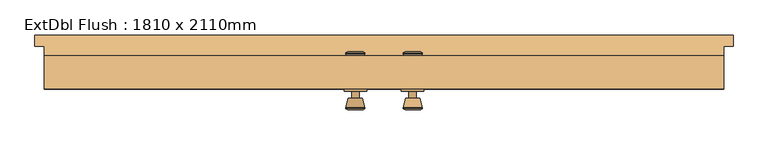
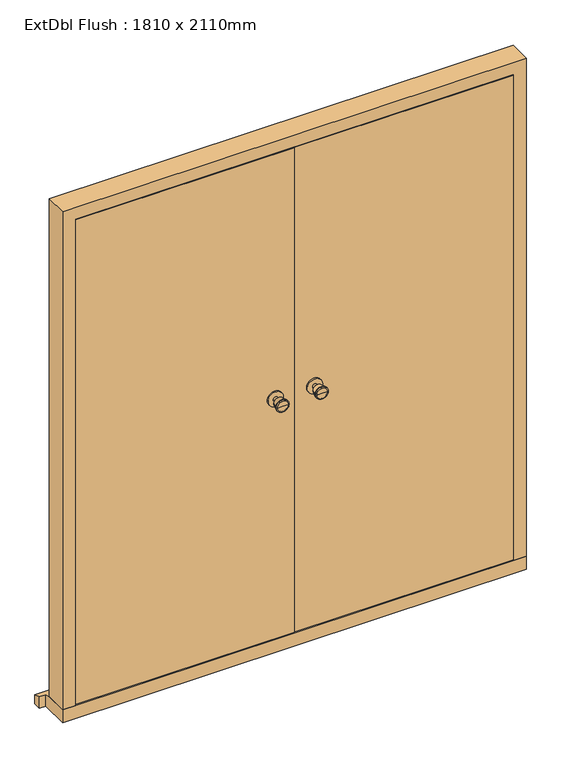
"""IFC4 building model written with IfcOpenShell, lengths in millimetres: door geometry, ExtDbl Flush : 1810 x 2110mm."""

import ifcopenshell
import ifcopenshell.guid

model = None  # the IFC model being written
_history = None  # IfcOwnerHistory: only IFC2X3 demands one
_inside = {}  # id of a spatial element -> (the spatial element, [elements in it])
_under = {}  # id of a project, library or spatial element -> (it, [spatial elements below it])
_declared = {}  # id of a project -> (the project, [libraries it declares])
_typed = {}  # id of a type object -> (the type object, [elements of that type])
_made_of = {}  # id of a material, layer set ... -> (it, [elements and type objects made of it])


def new_model(schema):
    """Start an empty IFC model of exactly this schema.

    Asked for "IFC4X3", IfcOpenShell would pick the latest addendum, in which some entities
    have other attributes; the version numbers below select the first issue.
    IFC2X3 requires an IfcOwnerHistory on every rooted entity: one is made here for all.
    """
    global model, _history
    if schema == "IFC4X3":
        model = ifcopenshell.file(schema_version=(4, 3, 0, 0))
    else:
        model = ifcopenshell.file(schema=schema)
    _inside.clear()
    _under.clear()
    _declared.clear()
    _typed.clear()
    _made_of.clear()
    _history = None
    if model.schema == "IFC2X3":
        org = make("IfcOrganization", Name="unknown")
        user = make(
            "IfcPersonAndOrganization",
            ThePerson=make("IfcPerson", FamilyName="unknown"),
            TheOrganization=org,
        )
        app = make(
            "IfcApplication",
            ApplicationDeveloper=org,
            Version="unknown",
            ApplicationFullName="unknown",
            ApplicationIdentifier="unknown",
        )
        _history = make(
            "IfcOwnerHistory",
            OwningUser=user,
            OwningApplication=app,
            ChangeAction="ADDED",
            CreationDate=0,
        )
    return model


def make(cls, **values):
    """One entity of the class cls with the attributes given. An attribute that is None is left unset."""
    return model.create_entity(
        cls, **{name: value for name, value in values.items() if value is not None}
    )


def rooted(cls, **values):
    """An entity with a GlobalId (a new one), such as an element, a storey or a relation."""
    return make(cls, GlobalId=ifcopenshell.guid.new(), OwnerHistory=_history, **values)


def si_unit(unit_type, name, prefix=None):
    """IfcSIUnit, for example si_unit("LENGTHUNIT", "METRE", prefix="MILLI")."""
    return make("IfcSIUnit", UnitType=unit_type, Prefix=prefix, Name=name)


def assignment(units):
    """IfcUnitAssignment: the units of a project."""
    return None if units is None else make("IfcUnitAssignment", Units=units)


def point(xyz):
    """IfcCartesianPoint."""
    return None if xyz is None else make("IfcCartesianPoint", Coordinates=xyz)


def direction(xyz):
    """IfcDirection."""
    return None if xyz is None else make("IfcDirection", DirectionRatios=xyz)


def frame(location, z_axis=None, x_axis=None):
    """IfcAxis2Placement3D, a coordinate frame: its origin and axes. An axis left out is left unset."""
    return make(
        "IfcAxis2Placement3D",
        Location=point(location),
        Axis=direction(z_axis),
        RefDirection=direction(x_axis),
    )


def frame_2d(location, x_axis=None):
    """IfcAxis2Placement2D, a coordinate frame in the plane: its origin and x axis."""
    return make(
        "IfcAxis2Placement2D", Location=point(location), RefDirection=direction(x_axis)
    )


def origin():
    """The frame at (0, 0, 0) with its axes left unset."""
    return frame((0.0, 0.0, 0.0))


def place(relative_to, where):
    """IfcLocalPlacement: puts the frame where relative to a parent placement (None: the world)."""
    return make(
        "IfcLocalPlacement", PlacementRelTo=relative_to, RelativePlacement=where
    )


def context(
    kind, dimensions, precision=None, world=None, true_north=None, identifier=None
):
    """IfcGeometricRepresentationContext, for example the 3D "Model" context."""
    return make(
        "IfcGeometricRepresentationContext",
        ContextIdentifier=identifier,
        ContextType=kind,
        CoordinateSpaceDimension=dimensions,
        Precision=precision,
        WorldCoordinateSystem=world,
        TrueNorth=true_north,
    )


def project(units=None, contexts=None):
    """IfcProject with its units and contexts."""
    return rooted(
        "IfcProject",
        Name="project",
        RepresentationContexts=contexts,
        UnitsInContext=assignment(units),
    )


def spatial(cls, under=None, at=None, **own):
    """A site, building, storey or space (cls), placed at a placement, below another one or the project."""
    s = rooted(cls, ObjectPlacement=at, **own)
    if under is not None:
        _under.setdefault(under.id(), (under, []))[1].append(s)
    return s


def polyline(points):
    """IfcPolyline through the points."""
    return make("IfcPolyline", Points=[point(p) for p in points])


def circle_curve(where, radius):
    """IfcCircle in the frame where."""
    return make("IfcCircle", Position=where, Radius=radius)


def trimmed(basis, trim1, trim2, sense, master):
    """IfcTrimmedCurve: the piece of a basis curve between two trims."""
    return make(
        "IfcTrimmedCurve",
        BasisCurve=basis,
        Trim1=trim1,
        Trim2=trim2,
        SenseAgreement=sense,
        MasterRepresentation=master,
    )


def segment(curve, same_sense, transition):
    """IfcCompositeCurveSegment."""
    return make(
        "IfcCompositeCurveSegment",
        Transition=transition,
        SameSense=same_sense,
        ParentCurve=curve,
    )


def composite_curve(segments, self_intersect=None):
    """IfcCompositeCurve: segments joined end to end."""
    return make("IfcCompositeCurve", Segments=segments, SelfIntersect=self_intersect)


def outline(outer, holes=None, kind="AREA"):
    """IfcArbitraryClosedProfileDef: a profile drawn as a closed curve; with holes, ...WithVoids."""
    if holes is None:
        return make("IfcArbitraryClosedProfileDef", ProfileType=kind, OuterCurve=outer)
    return make(
        "IfcArbitraryProfileDefWithVoids",
        ProfileType=kind,
        OuterCurve=outer,
        InnerCurves=holes,
    )


def extrude(swept, where, along, depth):
    """IfcExtrudedAreaSolid: the profile swept, set in the frame where, extruded along a direction by depth."""
    return make(
        "IfcExtrudedAreaSolid",
        SweptArea=swept,
        Position=where,
        ExtrudedDirection=direction(along),
        Depth=depth,
    )


def faces_of(points, faces, orient=None, outer=None):
    """IfcFace entities. A face is a list of loops; a loop is a list of indices into points, from 0.

    orient and outer hold one flag for each loop. By default every Orientation is true, the
    first loop of a face is its IfcFaceOuterBound and the others are IfcFaceBound.
    """
    made = []
    for i, loops in enumerate(faces):
        bounds = []
        for j, loop in enumerate(loops):
            is_outer = j == 0 if outer is None else outer[i][j]
            bounds.append(
                make(
                    "IfcFaceOuterBound" if is_outer else "IfcFaceBound",
                    Bound=make("IfcPolyLoop", Polygon=[points[k] for k in loop]),
                    Orientation=True if orient is None else orient[i][j],
                )
            )
        made.append(make("IfcFace", Bounds=bounds))
    return made


def faceted_brep(points, faces, orient=None, outer=None, voids=None):
    """IfcFacetedBrep: a solid bounded by flat faces; with voids (closed shells), ...WithVoids."""
    shared = [point(p) for p in points]
    hull = make("IfcClosedShell", CfsFaces=faces_of(shared, faces, orient, outer))
    if voids is None:
        return make("IfcFacetedBrep", Outer=hull)
    return make(
        "IfcFacetedBrepWithVoids",
        Outer=hull,
        Voids=[
            make(cls, CfsFaces=faces_of(shared, fs, o, b)) for cls, fs, o, b in voids
        ],
    )


def shape(context_of_items, identifier, shape_type, items):
    """IfcShapeRepresentation: the items that make up one representation, for example the "Body"."""
    return make(
        "IfcShapeRepresentation",
        ContextOfItems=context_of_items,
        RepresentationIdentifier=identifier,
        RepresentationType=shape_type,
        Items=items,
    )


def source(mapping_origin, context_of_items, identifier, shape_type, items):
    """IfcRepresentationMap: a shape defined once, which mapped items show again and again."""
    return make(
        "IfcRepresentationMap",
        MappingOrigin=mapping_origin,
        MappedRepresentation=shape(context_of_items, identifier, shape_type, items),
    )


def transform(
    local_origin,
    x_axis=None,
    y_axis=None,
    z_axis=None,
    scale=None,
    scale2=None,
    scale3=None,
    uniform=True,
):
    """IfcCartesianTransformationOperator3D, or its non-uniform kind. x_axis, y_axis, z_axis: its Axis1, 2, 3."""
    if uniform:
        return make(
            "IfcCartesianTransformationOperator3D",
            Axis1=direction(x_axis),
            Axis2=direction(y_axis),
            LocalOrigin=point(local_origin),
            Scale=scale,
            Axis3=direction(z_axis),
        )
    return make(
        "IfcCartesianTransformationOperator3DnonUniform",
        Axis1=direction(x_axis),
        Axis2=direction(y_axis),
        LocalOrigin=point(local_origin),
        Scale=scale,
        Axis3=direction(z_axis),
        Scale2=scale2,
        Scale3=scale3,
    )


def mapped(mapping_source, mapping_target):
    """IfcMappedItem: shows the shape of a source again, moved by a transform."""
    return make(
        "IfcMappedItem", MappingSource=mapping_source, MappingTarget=mapping_target
    )


def made_of(thing, what):
    """Note that an element or type object is made of a material, layer set ...; save() writes the relation."""
    if what is not None:
        _made_of.setdefault(what.id(), (what, []))[1].append(thing)
    return thing


def element(
    cls,
    number,
    at=None,
    inside=None,
    cuts=None,
    type_object=None,
    material=None,
    context=None,
    identifier="Body",
    shape_type=None,
    held_by="IfcProductDefinitionShape",
    body=None,
    shapes=None,
    **own,
):
    """One element of the class cls, such as IfcWall. Its Tag is "e" and its number.

    at: its placement. inside: the storey or other place that contains it. cuts: it is an
    opening in that element (IfcRelVoidsElement). A single representation is given by context,
    identifier, shape_type and body (its items); several are given by shapes. held_by: the class
    of the entity that holds the representations. save() writes the other relations.
    """
    e = rooted(cls, Tag="e%d" % number, ObjectPlacement=at, **own)
    if body is not None:
        shapes = [shape(context, identifier, shape_type, body)]
    if shapes is not None:
        e.Representation = make(held_by, Representations=shapes)
    if inside is not None:
        _inside.setdefault(inside.id(), (inside, []))[1].append(e)
    if cuts is not None:
        rooted(
            "IfcRelVoidsElement", RelatingBuildingElement=cuts, RelatedOpeningElement=e
        )
    if type_object is not None:
        _typed.setdefault(type_object.id(), (type_object, []))[1].append(e)
    return made_of(e, material)


def aggregate(whole, parts):
    """IfcRelAggregates: a whole, such as a stair, and the parts it consists of."""
    return rooted("IfcRelAggregates", RelatingObject=whole, RelatedObjects=parts)


def save(model, path):
    """Write the relations noted so far, then the file.

    IfcRelAggregates (storeys below a building ...), IfcRelContainedInSpatialStructure (elements
    in a storey), IfcRelDefinesByType, IfcRelAssociatesMaterial and IfcRelDeclares: one each for
    every whole, place, type object, material and project.
    """
    for whole, parts in _under.values():
        aggregate(whole, parts)
    for where, things in _inside.values():
        rooted(
            "IfcRelContainedInSpatialStructure",
            RelatedElements=things,
            RelatingStructure=where,
        )
    for kind, things in _typed.values():
        rooted("IfcRelDefinesByType", RelatedObjects=things, RelatingType=kind)
    for what, things in _made_of.values():
        rooted("IfcRelAssociatesMaterial", RelatedObjects=things, RelatingMaterial=what)
    for by, libraries in _declared.values():
        rooted("IfcRelDeclares", RelatingContext=by, RelatedDefinitions=libraries)
    model.write(path)


def plane_surface(at):
    """IfcPlane: the flat surface through the origin of the frame at, square to its z axis."""
    return make("IfcPlane", Position=at)


def cylinder_surface(at, radius):
    """IfcCylindricalSurface: all points at the distance radius from the z axis of the frame at."""
    return make("IfcCylindricalSurface", Position=at, Radius=radius)


def revolved_surface(curve, axis_point, axis_direction):
    """IfcSurfaceOfRevolution: the curve turned about the line through axis_point along axis_direction."""
    return make(
        "IfcSurfaceOfRevolution",
        SweptCurve=make("IfcArbitraryOpenProfileDef", ProfileType="CURVE", Curve=curve),
        AxisPosition=make("IfcAxis1Placement", Location=point(axis_point), Axis=direction(axis_direction)),
    )


def advanced_brep(points, edges, surfaces, faces):
    """IfcAdvancedBrep: a solid bounded by faces that lie on surfaces and meet in shared edges.

    An edge is (start, end): straight between two places in points (the first is 0);
    or (start, end, curve); or (start, end, curve, False) where it runs against its curve.
    A face is (place in surfaces, loops), or (place, loops, False) where it looks against
    its surface's normal. A loop lists edges by number (the first is 1), with a minus sign
    where the edge is run from its end to its start. The first loop is the outer one.
    """
    corners = [point(p) for p in points]
    vertices = [make("IfcVertexPoint", VertexGeometry=c) for c in corners]
    made = []
    for start, end, *more in edges:
        made.append(
            make(
                "IfcEdgeCurve",
                EdgeStart=vertices[start],
                EdgeEnd=vertices[end],
                EdgeGeometry=more[0] if more else make("IfcPolyline", Points=[corners[start], corners[end]]),
                SameSense=more[1] if len(more) > 1 else True,
            )
        )
    hull = []
    for where, loops, *sense in faces:
        bounds = []
        for j, loop in enumerate(loops):
            ring = [make("IfcOrientedEdge", EdgeElement=made[abs(k) - 1], Orientation=k > 0) for k in loop]
            bounds.append(
                make(
                    "IfcFaceOuterBound" if j == 0 else "IfcFaceBound",
                    Bound=make("IfcEdgeLoop", EdgeList=ring),
                    Orientation=True,
                )
            )
        hull.append(make("IfcAdvancedFace", Bounds=bounds, FaceSurface=surfaces[where], SameSense=sense[0] if sense else True))
    return make("IfcAdvancedBrep", Outer=make("IfcClosedShell", CfsFaces=hull))


def extdbl_flush_1810_x_2110mm_324177d1(model_context):
    return source(origin(), model_context, "Body", "SolidModel", [
        advanced_brep(
        [(-76.5, 17.5, 1050.0), (-66.5, 17.5, 1050.0), (-86.5, 17.5, 1050.0), (-96.9758676, -31.5, 1050.0), (-56.0241324, -31.5, 1050.0), (-76.5, -31.5, 1050.0), (-101.5, -29.6721319, 1050.0), (-51.5, -29.6721319, 1050.0), (-101.5, -26.2084537, 1050.0), (-51.5, -26.2084537, 1050.0), (-95.136236, -1.5, 1050.0), (-57.863764, -1.5, 1050.0), (-86.5, -1.5, 1050.0), (-66.5, -1.5, 1050.0)],
        [
            (0, 1),
            (1, 2, circle_curve(frame((-76.5, 17.5, 1050.0), z_axis=(0.0, 1.0, 0.0), x_axis=(1.0, 0.0, 0.0)), 10.0)),
            (2, 0),
            (2, 1, circle_curve(frame((-76.5, 17.5, 1050.0), z_axis=(0.0, 1.0, 0.0), x_axis=(1.0, 0.0, 0.0)), 10.0)),
            (3, 4, circle_curve(frame((-76.5, -31.5, 1050.0), z_axis=(0.0, -1.0, 0.0), x_axis=(1.0, 0.0, 0.0)), 20.4758676)),
            (4, 5),
            (5, 3),
            (4, 3, circle_curve(frame((-76.5, -31.5, 1050.0), z_axis=(0.0, -1.0, 0.0), x_axis=(1.0, 0.0, 0.0)), 20.4758676)),
            (6, 7, circle_curve(frame((-76.5, -29.6721319, 1050.0), z_axis=(0.0, -1.0, 0.0), x_axis=(1.0, 0.0, 0.0)), 25.0)),
            (7, 4),
            (3, 6),
            (7, 6, circle_curve(frame((-76.5, -29.6721319, 1050.0), z_axis=(0.0, -1.0, 0.0), x_axis=(1.0, 0.0, 0.0)), 25.0)),
            (8, 9, circle_curve(frame((-76.5, -26.2084537, 1050.0), z_axis=(0.0, -1.0, 0.0), x_axis=(1.0, 0.0, 0.0)), 25.0)),
            (9, 7),
            (6, 8),
            (9, 8, circle_curve(frame((-76.5, -26.2084537, 1050.0), z_axis=(0.0, -1.0, 0.0), x_axis=(1.0, 0.0, 0.0)), 25.0)),
            (10, 11, circle_curve(frame((-76.5, -1.5, 1050.0), z_axis=(0.0, -1.0, 0.0), x_axis=(1.0, 0.0, 0.0)), 18.636236)),
            (11, 9),
            (8, 10),
            (11, 10, circle_curve(frame((-76.5, -1.5, 1050.0), z_axis=(0.0, -1.0, 0.0), x_axis=(1.0, 0.0, 0.0)), 18.636236)),
            (12, 13, circle_curve(frame((-76.5, -1.5, 1050.0), z_axis=(0.0, -1.0, 0.0), x_axis=(1.0, 0.0, 0.0)), 10.0)),
            (13, 11),
            (10, 12),
            (13, 12, circle_curve(frame((-76.5, -1.5, 1050.0), z_axis=(0.0, -1.0, 0.0), x_axis=(1.0, 0.0, 0.0)), 10.0)),
            (1, 13),
            (12, 2),
        ],
        [
            plane_surface(frame((-76.5, 17.5, 1050.0), z_axis=(0.0, 1.0, 0.0), x_axis=(1.0, 0.0, 0.0))),
            plane_surface(frame((-76.5, -31.5, 1050.0), z_axis=(0.0, -1.0, 0.0), x_axis=(1.0, 0.0, 0.0))),
            revolved_surface(polyline([(-56.0241324, -31.5, 1050.0), (-51.5, -29.6721319, 1050.0)]), (-76.5, 17.5, 1050.0), (0.0, 1.0, 0.0)),
            cylinder_surface(frame((-76.5, 17.5, 1050.0), z_axis=(0.0, 1.0, 0.0), x_axis=(1.0, 0.0, 0.0)), 25.0),
            revolved_surface(polyline([(-51.5, -26.2084537, 1050.0), (-57.863764, -1.5, 1050.0)]), (-76.5, 17.5, 1050.0), (0.0, 1.0, 0.0)),
            plane_surface(frame((-76.5, -1.5, 1050.0), z_axis=(0.0, 1.0, 0.0), x_axis=(1.0, 0.0, 0.0))),
            cylinder_surface(frame((-76.5, 17.5, 1050.0), z_axis=(0.0, 1.0, 0.0), x_axis=(1.0, 0.0, 0.0)), 10.0),
        ],
        [
            (0, [[1, 2, 3]]),
            (0, [[-3, 4, -1]]),
            (1, [[5, 6, 7]]),
            (1, [[8, -7, -6]]),
            (2, [[9, 10, -5, 11]]),
            (2, [[12, -11, -8, -10]]),
            (3, [[13, 14, -9, 15]]),
            (3, [[16, -15, -12, -14]]),
            (4, [[17, 18, -13, 19]]),
            (4, [[20, -19, -16, -18]]),
            (5, [[21, 22, -17, 23]]),
            (5, [[24, -23, -20, -22]]),
            (6, [[-2, 25, -21, 26]]),
            (6, [[-4, -26, -24, -25]]),
        ],
    ),
        extrude(outline(composite_curve([segment(trimmed(circle_curve(frame_2d((1050.0, -76.5)), 30.0), [point((1050.0, -46.5))], [point((1050.0, -106.5))], False, "CARTESIAN"), True, "CONTINUOUS"), segment(trimmed(circle_curve(frame_2d((1050.0, -76.5)), 30.0), [point((1050.0, -106.5))], [point((1050.0, -46.5))], False, "CARTESIAN"), True, "CONTINUOUS")], self_intersect=False)), frame((0.0, 17.5, 0.0), z_axis=(0.0, 1.0, 0.0), x_axis=(0.0, 0.0, 1.0)), (0.0, 0.0, 1.0), 6.0),
        advanced_brep(
        [(-76.5, 73.5, 1050.0), (-86.5, 73.5, 1050.0), (-66.5, 73.5, 1050.0), (-96.9758676, 122.5, 1050.0), (-76.5, 122.5, 1050.0), (-56.0241324, 122.5, 1050.0), (-101.5, 120.6721319, 1050.0), (-51.5, 120.6721319, 1050.0), (-101.5, 117.2084537, 1050.0), (-51.5, 117.2084537, 1050.0), (-95.136236, 92.5, 1050.0), (-57.863764, 92.5, 1050.0), (-86.5, 92.5, 1050.0), (-66.5, 92.5, 1050.0)],
        [
            (0, 1),
            (1, 2, circle_curve(frame((-76.5, 73.5, 1050.0), z_axis=(0.0, -1.0, 0.0), x_axis=(1.0, 0.0, 0.0)), 10.0)),
            (2, 0),
            (2, 1, circle_curve(frame((-76.5, 73.5, 1050.0), z_axis=(0.0, -1.0, 0.0), x_axis=(1.0, 0.0, 0.0)), 10.0)),
            (3, 4),
            (4, 5),
            (5, 3, circle_curve(frame((-76.5, 122.5, 1050.0), z_axis=(0.0, 1.0, 0.0), x_axis=(1.0, 0.0, 0.0)), 20.4758676)),
            (3, 5, circle_curve(frame((-76.5, 122.5, 1050.0), z_axis=(0.0, 1.0, 0.0), x_axis=(1.0, 0.0, 0.0)), 20.4758676)),
            (6, 3),
            (5, 7),
            (7, 6, circle_curve(frame((-76.5, 120.6721319, 1050.0), z_axis=(0.0, 1.0, 0.0), x_axis=(1.0, 0.0, 0.0)), 25.0)),
            (6, 7, circle_curve(frame((-76.5, 120.6721319, 1050.0), z_axis=(0.0, 1.0, 0.0), x_axis=(1.0, 0.0, 0.0)), 25.0)),
            (8, 6),
            (7, 9),
            (9, 8, circle_curve(frame((-76.5, 117.2084537, 1050.0), z_axis=(0.0, 1.0, 0.0), x_axis=(1.0, 0.0, 0.0)), 25.0)),
            (8, 9, circle_curve(frame((-76.5, 117.2084537, 1050.0), z_axis=(0.0, 1.0, 0.0), x_axis=(1.0, 0.0, 0.0)), 25.0)),
            (10, 8),
            (9, 11),
            (11, 10, circle_curve(frame((-76.5, 92.5, 1050.0), z_axis=(0.0, 1.0, 0.0), x_axis=(1.0, 0.0, 0.0)), 18.636236)),
            (10, 11, circle_curve(frame((-76.5, 92.5, 1050.0), z_axis=(0.0, 1.0, 0.0), x_axis=(1.0, 0.0, 0.0)), 18.636236)),
            (12, 10),
            (11, 13),
            (13, 12, circle_curve(frame((-76.5, 92.5, 1050.0), z_axis=(0.0, 1.0, 0.0), x_axis=(1.0, 0.0, 0.0)), 10.0)),
            (12, 13, circle_curve(frame((-76.5, 92.5, 1050.0), z_axis=(0.0, 1.0, 0.0), x_axis=(1.0, 0.0, 0.0)), 10.0)),
            (1, 12),
            (13, 2),
        ],
        [
            plane_surface(frame((-76.5, 73.5, 1050.0), z_axis=(0.0, -1.0, 0.0), x_axis=(1.0, 0.0, 0.0))),
            plane_surface(frame((-76.5, 122.5, 1050.0), z_axis=(0.0, 1.0, 0.0), x_axis=(1.0, 0.0, 0.0))),
            revolved_surface(polyline([(-56.0241324, 122.5, 1050.0), (-51.5, 120.6721319, 1050.0)]), (-76.5, 73.5, 1050.0), (0.0, -1.0, 0.0)),
            cylinder_surface(frame((-76.5, 73.5, 1050.0), z_axis=(0.0, -1.0, 0.0), x_axis=(1.0, 0.0, 0.0)), 25.0),
            revolved_surface(polyline([(-51.5, 117.2084537, 1050.0), (-57.863764, 92.5, 1050.0)]), (-76.5, 73.5, 1050.0), (0.0, -1.0, 0.0)),
            plane_surface(frame((-76.5, 92.5, 1050.0), z_axis=(0.0, -1.0, 0.0), x_axis=(1.0, 0.0, 0.0))),
            cylinder_surface(frame((-76.5, 73.5, 1050.0), z_axis=(0.0, -1.0, 0.0), x_axis=(1.0, 0.0, 0.0)), 10.0),
        ],
        [
            (0, [[1, 2, 3]]),
            (0, [[-3, 4, -1]]),
            (1, [[5, 6, 7]]),
            (1, [[-6, -5, 8]]),
            (2, [[9, -7, 10, 11]]),
            (2, [[-10, -8, -9, 12]]),
            (3, [[13, -11, 14, 15]]),
            (3, [[-14, -12, -13, 16]]),
            (4, [[17, -15, 18, 19]]),
            (4, [[-18, -16, -17, 20]]),
            (5, [[21, -19, 22, 23]]),
            (5, [[-22, -20, -21, 24]]),
            (6, [[25, -23, 26, -2]]),
            (6, [[-26, -24, -25, -4]]),
        ],
    ),
        extrude(outline(composite_curve([segment(trimmed(circle_curve(frame_2d((1050.0, -76.5)), 30.0), [point((1050.0, -46.5))], [point((1050.0, -106.5))], False, "CARTESIAN"), True, "CONTINUOUS"), segment(trimmed(circle_curve(frame_2d((1050.0, -76.5)), 30.0), [point((1050.0, -106.5))], [point((1050.0, -46.5))], False, "CARTESIAN"), True, "CONTINUOUS")], self_intersect=False)), frame((0.0, 67.5, 0.0), z_axis=(0.0, 1.0, 0.0), x_axis=(0.0, 0.0, 1.0)), (0.0, 0.0, 1.0), 6.0),
        advanced_brep(
        [(76.5, 17.5, 1050.0), (86.5, 17.5, 1050.0), (66.5, 17.5, 1050.0), (96.9758676, -31.5, 1050.0), (76.5, -31.5, 1050.0), (56.0241324, -31.5, 1050.0), (101.5, -29.6721319, 1050.0), (51.5, -29.6721319, 1050.0), (101.5, -26.2084537, 1050.0), (51.5, -26.2084537, 1050.0), (95.136236, -1.5, 1050.0), (57.863764, -1.5, 1050.0), (86.5, -1.5, 1050.0), (66.5, -1.5, 1050.0)],
        [
            (0, 1),
            (1, 2, circle_curve(frame((76.5, 17.5, 1050.0), z_axis=(0.0, 1.0, 0.0), x_axis=(-1.0, 0.0, 0.0)), 10.0)),
            (2, 0),
            (2, 1, circle_curve(frame((76.5, 17.5, 1050.0), z_axis=(0.0, 1.0, 0.0), x_axis=(-1.0, 0.0, 0.0)), 10.0)),
            (3, 4),
            (4, 5),
            (5, 3, circle_curve(frame((76.5, -31.5, 1050.0), z_axis=(0.0, -1.0, 0.0), x_axis=(-1.0, 0.0, 0.0)), 20.4758676)),
            (3, 5, circle_curve(frame((76.5, -31.5, 1050.0), z_axis=(0.0, -1.0, 0.0), x_axis=(-1.0, 0.0, 0.0)), 20.4758676)),
            (6, 3),
            (5, 7),
            (7, 6, circle_curve(frame((76.5, -29.6721319, 1050.0), z_axis=(0.0, -1.0, 0.0), x_axis=(-1.0, 0.0, 0.0)), 25.0)),
            (6, 7, circle_curve(frame((76.5, -29.6721319, 1050.0), z_axis=(0.0, -1.0, 0.0), x_axis=(-1.0, 0.0, 0.0)), 25.0)),
            (8, 6),
            (7, 9),
            (9, 8, circle_curve(frame((76.5, -26.2084537, 1050.0), z_axis=(0.0, -1.0, 0.0), x_axis=(-1.0, 0.0, 0.0)), 25.0)),
            (8, 9, circle_curve(frame((76.5, -26.2084537, 1050.0), z_axis=(0.0, -1.0, 0.0), x_axis=(-1.0, 0.0, 0.0)), 25.0)),
            (10, 8),
            (9, 11),
            (11, 10, circle_curve(frame((76.5, -1.5, 1050.0), z_axis=(0.0, -1.0, 0.0), x_axis=(-1.0, 0.0, 0.0)), 18.636236)),
            (10, 11, circle_curve(frame((76.5, -1.5, 1050.0), z_axis=(0.0, -1.0, 0.0), x_axis=(-1.0, 0.0, 0.0)), 18.636236)),
            (12, 10),
            (11, 13),
            (13, 12, circle_curve(frame((76.5, -1.5, 1050.0), z_axis=(0.0, -1.0, 0.0), x_axis=(-1.0, 0.0, 0.0)), 10.0)),
            (12, 13, circle_curve(frame((76.5, -1.5, 1050.0), z_axis=(0.0, -1.0, 0.0), x_axis=(-1.0, 0.0, 0.0)), 10.0)),
            (1, 12),
            (13, 2),
        ],
        [
            plane_surface(frame((76.5, 17.5, 1050.0), z_axis=(0.0, 1.0, 0.0), x_axis=(-1.0, 0.0, 0.0))),
            plane_surface(frame((76.5, -31.5, 1050.0), z_axis=(0.0, -1.0, 0.0), x_axis=(-1.0, 0.0, 0.0))),
            revolved_surface(polyline([(56.0241324, -31.5, 1050.0), (51.5, -29.6721319, 1050.0)]), (76.5, 17.5, 1050.0), (0.0, 1.0, 0.0)),
            cylinder_surface(frame((76.5, 17.5, 1050.0), z_axis=(0.0, 1.0, 0.0), x_axis=(-1.0, 0.0, 0.0)), 25.0),
            revolved_surface(polyline([(51.5, -26.2084537, 1050.0), (57.863764, -1.5, 1050.0)]), (76.5, 17.5, 1050.0), (0.0, 1.0, 0.0)),
            plane_surface(frame((76.5, -1.5, 1050.0), z_axis=(0.0, 1.0, 0.0), x_axis=(-1.0, 0.0, 0.0))),
            cylinder_surface(frame((76.5, 17.5, 1050.0), z_axis=(0.0, 1.0, 0.0), x_axis=(-1.0, 0.0, 0.0)), 10.0),
        ],
        [
            (0, [[1, 2, 3]]),
            (0, [[-3, 4, -1]]),
            (1, [[5, 6, 7]]),
            (1, [[-6, -5, 8]]),
            (2, [[9, -7, 10, 11]]),
            (2, [[-10, -8, -9, 12]]),
            (3, [[13, -11, 14, 15]]),
            (3, [[-14, -12, -13, 16]]),
            (4, [[17, -15, 18, 19]]),
            (4, [[-18, -16, -17, 20]]),
            (5, [[21, -19, 22, 23]]),
            (5, [[-22, -20, -21, 24]]),
            (6, [[25, -23, 26, -2]]),
            (6, [[-26, -24, -25, -4]]),
        ],
    ),
        extrude(outline(composite_curve([segment(trimmed(circle_curve(frame_2d((1050.0, 76.5)), 30.0), [point((1050.0, 46.5))], [point((1050.0, 106.5))], False, "CARTESIAN"), True, "CONTINUOUS"), segment(trimmed(circle_curve(frame_2d((1050.0, 76.5)), 30.0), [point((1050.0, 106.5))], [point((1050.0, 46.5))], False, "CARTESIAN"), True, "CONTINUOUS")], self_intersect=False)), frame((0.0, 17.5, 0.0), z_axis=(0.0, 1.0, 0.0), x_axis=(0.0, 0.0, 1.0)), (0.0, 0.0, 1.0), 6.0),
        advanced_brep(
        [(76.5, 73.5, 1050.0), (66.5, 73.5, 1050.0), (86.5, 73.5, 1050.0), (96.9758676, 122.5, 1050.0), (56.0241324, 122.5, 1050.0), (76.5, 122.5, 1050.0), (101.5, 120.6721319, 1050.0), (51.5, 120.6721319, 1050.0), (101.5, 117.2084537, 1050.0), (51.5, 117.2084537, 1050.0), (95.136236, 92.5, 1050.0), (57.863764, 92.5, 1050.0), (86.5, 92.5, 1050.0), (66.5, 92.5, 1050.0)],
        [
            (0, 1),
            (1, 2, circle_curve(frame((76.5, 73.5, 1050.0), z_axis=(0.0, -1.0, 0.0), x_axis=(-1.0, 0.0, 0.0)), 10.0)),
            (2, 0),
            (2, 1, circle_curve(frame((76.5, 73.5, 1050.0), z_axis=(0.0, -1.0, 0.0), x_axis=(-1.0, 0.0, 0.0)), 10.0)),
            (3, 4, circle_curve(frame((76.5, 122.5, 1050.0), z_axis=(0.0, 1.0, 0.0), x_axis=(-1.0, 0.0, 0.0)), 20.4758676)),
            (4, 5),
            (5, 3),
            (4, 3, circle_curve(frame((76.5, 122.5, 1050.0), z_axis=(0.0, 1.0, 0.0), x_axis=(-1.0, 0.0, 0.0)), 20.4758676)),
            (6, 7, circle_curve(frame((76.5, 120.6721319, 1050.0), z_axis=(0.0, 1.0, 0.0), x_axis=(-1.0, 0.0, 0.0)), 25.0)),
            (7, 4),
            (3, 6),
            (7, 6, circle_curve(frame((76.5, 120.6721319, 1050.0), z_axis=(0.0, 1.0, 0.0), x_axis=(-1.0, 0.0, 0.0)), 25.0)),
            (8, 9, circle_curve(frame((76.5, 117.2084537, 1050.0), z_axis=(0.0, 1.0, 0.0), x_axis=(-1.0, 0.0, 0.0)), 25.0)),
            (9, 7),
            (6, 8),
            (9, 8, circle_curve(frame((76.5, 117.2084537, 1050.0), z_axis=(0.0, 1.0, 0.0), x_axis=(-1.0, 0.0, 0.0)), 25.0)),
            (10, 11, circle_curve(frame((76.5, 92.5, 1050.0), z_axis=(0.0, 1.0, 0.0), x_axis=(-1.0, 0.0, 0.0)), 18.636236)),
            (11, 9),
            (8, 10),
            (11, 10, circle_curve(frame((76.5, 92.5, 1050.0), z_axis=(0.0, 1.0, 0.0), x_axis=(-1.0, 0.0, 0.0)), 18.636236)),
            (12, 13, circle_curve(frame((76.5, 92.5, 1050.0), z_axis=(0.0, 1.0, 0.0), x_axis=(-1.0, 0.0, 0.0)), 10.0)),
            (13, 11),
            (10, 12),
            (13, 12, circle_curve(frame((76.5, 92.5, 1050.0), z_axis=(0.0, 1.0, 0.0), x_axis=(-1.0, 0.0, 0.0)), 10.0)),
            (1, 13),
            (12, 2),
        ],
        [
            plane_surface(frame((76.5, 73.5, 1050.0), z_axis=(0.0, -1.0, 0.0), x_axis=(-1.0, 0.0, 0.0))),
            plane_surface(frame((76.5, 122.5, 1050.0), z_axis=(0.0, 1.0, 0.0), x_axis=(-1.0, 0.0, 0.0))),
            revolved_surface(polyline([(56.0241324, 122.5, 1050.0), (51.5, 120.6721319, 1050.0)]), (76.5, 73.5, 1050.0), (0.0, -1.0, 0.0)),
            cylinder_surface(frame((76.5, 73.5, 1050.0), z_axis=(0.0, -1.0, 0.0), x_axis=(-1.0, 0.0, 0.0)), 25.0),
            revolved_surface(polyline([(51.5, 117.2084537, 1050.0), (57.863764, 92.5, 1050.0)]), (76.5, 73.5, 1050.0), (0.0, -1.0, 0.0)),
            plane_surface(frame((76.5, 92.5, 1050.0), z_axis=(0.0, -1.0, 0.0), x_axis=(-1.0, 0.0, 0.0))),
            cylinder_surface(frame((76.5, 73.5, 1050.0), z_axis=(0.0, -1.0, 0.0), x_axis=(-1.0, 0.0, 0.0)), 10.0),
        ],
        [
            (0, [[1, 2, 3]]),
            (0, [[-3, 4, -1]]),
            (1, [[5, 6, 7]]),
            (1, [[8, -7, -6]]),
            (2, [[9, 10, -5, 11]]),
            (2, [[12, -11, -8, -10]]),
            (3, [[13, 14, -9, 15]]),
            (3, [[16, -15, -12, -14]]),
            (4, [[17, 18, -13, 19]]),
            (4, [[20, -19, -16, -18]]),
            (5, [[21, 22, -17, 23]]),
            (5, [[24, -23, -20, -22]]),
            (6, [[-2, 25, -21, 26]]),
            (6, [[-4, -26, -24, -25]]),
        ],
    ),
        extrude(outline(composite_curve([segment(trimmed(circle_curve(frame_2d((1050.0, 76.5)), 30.0), [point((1050.0, 46.5))], [point((1050.0, 106.5))], False, "CARTESIAN"), True, "CONTINUOUS"), segment(trimmed(circle_curve(frame_2d((1050.0, 76.5)), 30.0), [point((1050.0, 106.5))], [point((1050.0, 46.5))], False, "CARTESIAN"), True, "CONTINUOUS")], self_intersect=False)), frame((0.0, 67.5, 0.0), z_axis=(0.0, 1.0, 0.0), x_axis=(0.0, 0.0, 1.0)), (0.0, 0.0, 1.0), 6.0),
        faceted_brep([(834.5, 112.5, 54.5), (905.0, 112.5, 54.5), (905.0, 23.5, 54.5), (856.5, 23.5, 54.5), (856.5, 70.5, 54.5), (834.5, 70.5, 54.5), (834.5, 112.5, 2039.5), (-834.5, 112.5, 2039.5), (-834.5, 112.5, 54.5), (-905.0, 112.5, 54.5), (-905.0, 112.5, 2110.0), (905.0, 112.5, 2110.0), (905.0, 23.5, 2110.0), (-905.0, 23.5, 2110.0), (-905.0, 23.5, 54.5), (-856.5, 23.5, 54.5), (-856.5, 23.5, 2061.5), (856.5, 23.5, 2061.5), (856.5, 70.5, 2061.5), (-856.5, 70.5, 2061.5), (-856.5, 70.5, 54.5), (-834.5, 70.5, 54.5), (-834.5, 70.5, 2039.5), (834.5, 70.5, 2039.5)], [[[0, 1, 2, 3, 4, 5]], [[1, 0, 6, 7, 8, 9, 10, 11]], [[2, 1, 11, 12]], [[3, 2, 12, 13, 14, 15, 16, 17]], [[4, 3, 17, 18]], [[5, 4, 18, 19, 20, 21, 22, 23]], [[0, 5, 23, 6]], [[12, 11, 10, 13]], [[18, 17, 16, 19]], [[6, 23, 22, 7]], [[8, 21, 20, 15, 14, 9]], [[13, 10, 9, 14]], [[19, 16, 15, 20]], [[7, 22, 21, 8]]]),
        faceted_brep([(930.0, 167.5, 0.0), (930.0, 167.5, 38.5947221), (930.0, 137.5, 47.2703282), (930.0, 137.5, 0.0), (-930.0, 167.5, 38.5947221), (-930.0, 167.5, 0.0), (-930.0, 137.5, 0.0), (-930.0, 137.5, 47.2703282), (905.0, 137.5, 0.0), (905.0, 23.5, 0.0), (-905.0, 23.5, 0.0), (-905.0, 137.5, 0.0), (-905.0, 137.5, 47.2703282), (-905.0, 112.5, 54.5), (905.0, 112.5, 54.5), (905.0, 137.5, 47.2703282), (-905.0, 23.5, 54.5), (905.0, 23.5, 54.5)], [[[0, 1, 2, 3]], [[4, 5, 6, 7]], [[5, 0, 3, 8, 9, 10, 11, 6]], [[1, 0, 5, 4]], [[1, 4, 7, 12, 13, 14, 15, 2]], [[13, 16, 17, 14]], [[16, 10, 9, 17]], [[12, 11, 10, 16, 13]], [[11, 12, 7, 6]], [[8, 15, 14, 17, 9]], [[15, 8, 3, 2]]]),
        extrude(outline(polyline([(853.5, 23.5), (1.5, 23.5), (1.5, 67.5), (853.5, 67.5), (853.5, 23.5)])), frame((0.0, 0.0, 58.5), z_axis=(0.0, 0.0, 1.0), x_axis=(1.0, 0.0, 0.0)), (0.0, 0.0, 1.0), 2000.0),
        extrude(outline(polyline([(-1.5, 23.5), (-853.5, 23.5), (-853.5, 67.5), (-1.5, 67.5), (-1.5, 23.5)])), frame((0.0, 0.0, 58.5), z_axis=(0.0, 0.0, 1.0), x_axis=(1.0, 0.0, 0.0)), (0.0, 0.0, 1.0), 2000.0),
    ])


if __name__ == "__main__":
    model = new_model("IFC4")
    model_context = context("Model", 3, world=origin())
    ifc_project = project(units=[si_unit("LENGTHUNIT", "METRE", prefix="MILLI")], contexts=[model_context])
    site = spatial("IfcSite", under=ifc_project)
    building = spatial("IfcBuilding", under=site)
    placement = place(None, origin())
    extdbl_flush_1810_x_2110mm_shape = extdbl_flush_1810_x_2110mm_324177d1(model_context)
    element("IfcDoor", 1, ObjectType="ExtDbl Flush : 1810 x 2110mm", at=placement, inside=building, context=model_context, shape_type="MappedRepresentation", body=[
        mapped(extdbl_flush_1810_x_2110mm_shape, transform((0.0, 0.0, 0.0), x_axis=(1.0, 0.0, 0.0), y_axis=(0.0, 1.0, 0.0), z_axis=(0.0, 0.0, 1.0))),
    ])
    save(model, "model.ifc")
